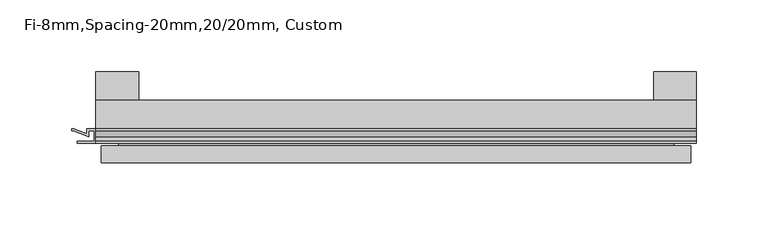
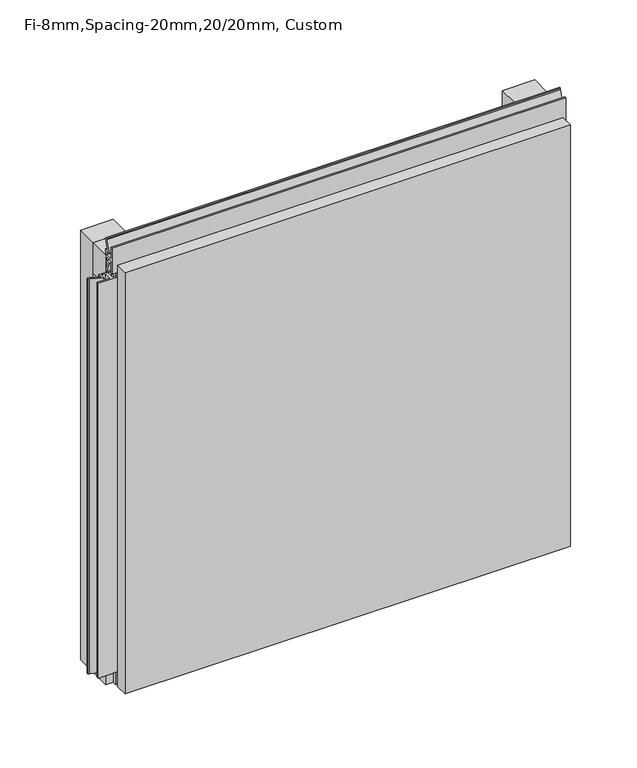
"""IFC4 building model written with IfcOpenShell, lengths in millimetres: plate geometry, Fi-8mm,Spacing-20mm,20/20mm, Custom."""

from ifc_helpers import new_model, si_unit, frame, origin, origin_with_axes, place, context, project, spatial, polyline, outline, extrude, faceted_brep, source, transform, mapped, element, save


def fi_8mm_spacing_20mm_20_20mm_custom_7cf643b4(model_context):
    return source(origin(), model_context, "Body", "SolidModel", [
        extrude(outline(polyline([(-210.0, -40.0), (-210.0, -20.0), (210.0, -20.0), (210.0, -40.0), (-210.0, -40.0)])), frame((0.0, 0.0, 390.0), z_axis=(0.0, 0.0, 1.0), x_axis=(1.0, 0.0, 0.0)), (0.0, 0.0, 1.0), 30.0),
        extrude(outline(polyline([(-210.0, -40.0), (-210.0, -20.0), (210.0, -20.0), (210.0, -40.0), (-210.0, -40.0)])), origin_with_axes(), (0.0, 0.0, 1.0), 30.0),
        extrude(outline(polyline([(180.0, 0.0), (210.0, 0.0), (210.0, -20.0), (180.0, -20.0), (180.0, 0.0)])), origin_with_axes(), (0.0, 0.0, 1.0), 420.0),
        extrude(outline(polyline([(-180.0, 0.0), (-180.0, -20.0), (-210.0, -20.0), (-210.0, 0.0), (-180.0, 0.0)])), origin_with_axes(), (0.0, 0.0, 1.0), 420.0),
        extrude(outline(polyline([(-210.899084, -48.7), (-210.899084, -41.4), (-214.899084, -41.4), (-214.899084, -45.5140545), (-225.5703394, -41.4553267), (-226.9558599, -41.4553267), (-226.9558599, -40.0553267), (-225.3558599, -40.0553267), (-216.299084, -43.5), (-216.299084, -40.0), (-203.700916, -40.0), (-203.700916, -43.5), (-194.6441401, -40.0553267), (-193.0441401, -40.0553267), (-193.0441401, -41.4553267), (-194.4296606, -41.4553267), (-205.100916, -45.5140545), (-205.100916, -41.4), (-209.100916, -41.4), (-209.100916, -48.7), (-197.100916, -48.7), (-197.100916, -50.1), (-222.899084, -50.1), (-222.899084, -48.7), (-210.899084, -48.7)])), frame((0.0, 0.0, 16.9558599), z_axis=(0.0, 0.0, 1.0), x_axis=(1.0, 0.0, 0.0)), (0.0, 0.0, 1.0), 386.0882802),
        extrude(outline(polyline([(-48.7, 420.899084), (-41.4, 420.899084), (-41.4, 424.899084), (-45.5140545, 424.899084), (-41.4553267, 435.5703394), (-41.4553267, 436.9558599), (-40.0553267, 436.9558599), (-40.0553267, 435.3558599), (-43.5, 426.299084), (-40.0, 426.299084), (-40.0, 413.700916), (-43.5, 413.700916), (-40.0553267, 404.6441401), (-40.0553267, 403.0441401), (-41.4553267, 403.0441401), (-41.4553267, 404.4296606), (-45.5140545, 415.100916), (-41.4, 415.100916), (-41.4, 419.100916), (-48.7, 419.100916), (-48.7, 407.100916), (-50.1, 407.100916), (-50.1, 432.899084), (-48.7, 432.899084), (-48.7, 420.899084)])), frame((-210.0, 0.0, 0.0), z_axis=(1.0, 0.0, 0.0), x_axis=(0.0, 1.0, 0.0)), (0.0, 0.0, 1.0), 420.0),
        faceted_brep([(206.0, -45.9, 416.0), (-206.0, -45.9, 416.0), (-206.0, -48.7, 416.0), (206.0, -48.7, 416.0), (-206.0, -63.9, 416.0), (206.0, -63.9, 416.0), (206.0, -51.9, 416.0), (-206.0, -51.9, 416.0), (-206.0, -45.9, 4.0), (206.0, -45.9, 4.0), (206.0, -48.7, 4.0), (-206.0, -48.7, 4.0), (206.0, -63.9, 4.0), (-206.0, -63.9, 4.0), (-206.0, -51.9, 4.0), (206.0, -51.9, 4.0), (194.0, -51.9, 404.0), (194.0, -51.9, 16.0), (194.0, -48.7, 16.0), (194.0, -48.7, 404.0), (-194.0, -51.9, 16.0), (-194.0, -48.7, 16.0), (-194.0, -51.9, 404.0), (-194.0, -48.7, 404.0)], [[[0, 1, 2, 3]], [[4, 5, 6, 7]], [[8, 9, 10, 11]], [[12, 13, 14, 15]], [[1, 0, 9, 8]], [[1, 8, 11, 2]], [[13, 4, 7, 14]], [[5, 4, 13, 12]], [[9, 0, 3, 10]], [[5, 12, 15, 6]], [[16, 17, 18, 19]], [[18, 17, 20, 21]], [[21, 20, 22, 23]], [[16, 19, 23, 22]], [[7, 6, 15, 14], [17, 16, 22, 20]], [[3, 2, 11, 10], [19, 18, 21, 23]]]),
    ])


if __name__ == "__main__":
    model = new_model("IFC4")
    model_context = context("Model", 3, world=origin())
    ifc_project = project(units=[si_unit("LENGTHUNIT", "METRE", prefix="MILLI")], contexts=[model_context])
    site = spatial("IfcSite", under=ifc_project)
    building = spatial("IfcBuilding", under=site)
    placement = place(None, origin())
    fi_8mm_spacing_20mm_20_20mm_custom_shape = fi_8mm_spacing_20mm_20_20mm_custom_7cf643b4(model_context)
    element("IfcPlate", 1, ObjectType="Fi-8mm,Spacing-20mm,20/20mm, Custom", at=placement, inside=building, context=model_context, shape_type="MappedRepresentation", body=[
        mapped(fi_8mm_spacing_20mm_20_20mm_custom_shape, transform((0.0, 0.0, 0.0), x_axis=(1.0, 0.0, 0.0), y_axis=(0.0, 1.0, 0.0), z_axis=(0.0, 0.0, 1.0))),
    ])
    save(model, "model.ifc")
